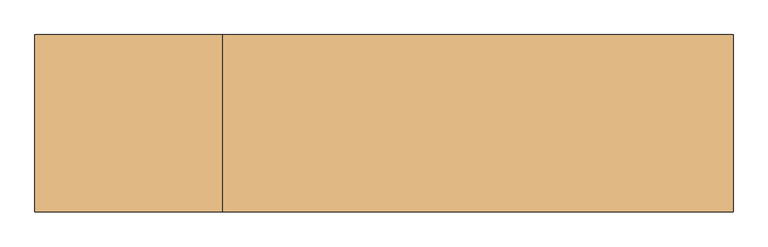
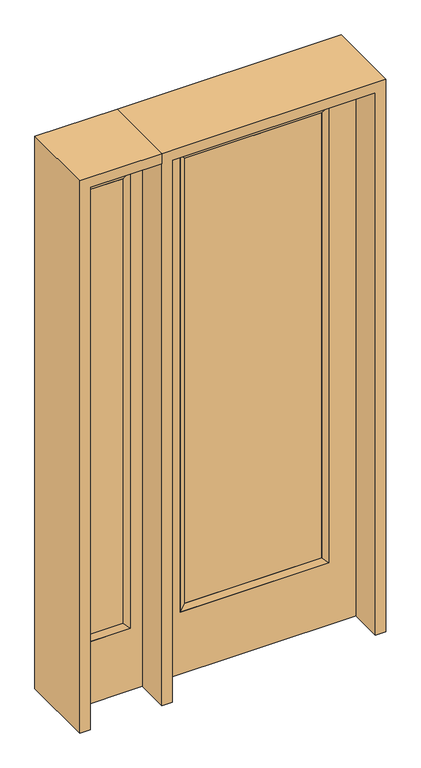
"""IFC4 building model written with IfcOpenShell, lengths in millimetres: door geometry."""

from ifc_helpers import new_model, si_unit, frame, origin, place, context, project, spatial, polyline, outline, extrude, faceted_brep, source, transform, mapped, element, save


def door_ac511bf7(model_context):
    return source(origin(), model_context, "Body", "SolidModel", [
        extrude(outline(polyline([(290.9824, -12.7039749), (-290.9824, -12.7039749), (-290.9824, 14.2875), (290.9824, 14.2875), (290.9824, -12.7039749)])), frame((0.0, 0.0, 304.8), z_axis=(0.0, 0.0, 1.0), x_axis=(1.0, 0.0, 0.0)), (0.0, 0.0, 1.0), 2000.25),
        faceted_brep([(290.9824, 14.2875, 2305.05), (316.3824, 22.225, 2330.45), (316.3824, 22.225, 279.4), (290.9824, 14.2875, 304.8), (316.3824, -22.225, 2330.45), (316.3824, -22.225, 279.4), (-316.3824, 22.225, 279.4), (-290.9824, 14.2875, 304.8), (290.9824, -12.7039749, 2305.05), (290.9824, -12.7039749, 304.8), (-290.9824, -12.7039749, 304.8), (-316.3824, -22.225, 279.4), (-316.3824, 22.225, 2330.45), (-290.9824, 14.2875, 2305.05), (-290.9824, -12.7039749, 2305.05), (-316.3824, -22.225, 2330.45)], [[[0, 1, 2, 3]], [[1, 4, 5, 2]], [[3, 2, 6, 7]], [[8, 0, 3, 9]], [[9, 3, 7, 10]], [[4, 8, 9, 5]], [[5, 9, 10, 11]], [[2, 5, 11, 6]], [[7, 6, 12, 13]], [[10, 7, 13, 14]], [[11, 10, 14, 15]], [[6, 11, 15, 12]], [[13, 12, 1, 0]], [[14, 13, 0, 8]], [[15, 14, 8, 4]], [[12, 15, 4, 1]]]),
        extrude(outline(polyline([(0.0, -431.8), (0.0, 431.8), (2438.4, 431.8), (2438.4, -431.8), (0.0, -431.8)]), holes=[polyline([(279.4, -316.3824), (2330.45, -316.3824), (2330.45, 316.3824), (279.4, 316.3824), (279.4, -316.3824)])]), frame((0.0, -22.225, 0.0), z_axis=(0.0, 1.0, 0.0), x_axis=(0.0, 0.0, 1.0)), (0.0, 0.0, 1.0), 44.45),
        faceted_brep([(-527.05, 20.6375, 2330.45), (-527.05, -20.6375, 2330.45), (-527.05, -20.6375, 279.4), (-527.05, 20.6375, 279.4), (-552.45, -12.7, 2305.05), (-552.45, -12.7, 304.8), (-730.25, -20.6375, 279.4), (-730.25, 20.6375, 279.4), (-552.45, 12.7, 2305.05), (-552.45, 12.7, 304.8), (-704.85, 12.7, 304.8), (-704.85, -12.7, 304.8), (-730.25, -20.6375, 2330.45), (-730.25, 20.6375, 2330.45), (-704.85, 12.7, 2305.05), (-704.85, -12.7, 2305.05)], [[[0, 1, 2, 3]], [[1, 4, 5, 2]], [[3, 2, 6, 7]], [[8, 0, 3, 9]], [[9, 3, 7, 10]], [[4, 8, 9, 5]], [[5, 9, 10, 11]], [[2, 5, 11, 6]], [[7, 6, 12, 13]], [[10, 7, 13, 14]], [[11, 10, 14, 15]], [[6, 11, 15, 12]], [[13, 12, 1, 0]], [[14, 13, 0, 8]], [[15, 14, 8, 4]], [[12, 15, 4, 1]]]),
        extrude(outline(polyline([(0.0, -781.05), (0.0, -476.25), (2438.4, -476.25), (2438.4, -781.05), (0.0, -781.05)]), holes=[polyline([(2330.45, -527.05), (279.4, -527.05), (279.4, -730.25), (2330.45, -730.25), (2330.45, -527.05)])]), frame((0.0, -20.6375, 0.0), z_axis=(0.0, 1.0, 0.0), x_axis=(0.0, 0.0, 1.0)), (0.0, 0.0, 1.0), 41.275),
        extrude(outline(polyline([(-552.45, -12.7), (-704.85, -12.7), (-704.85, 12.7), (-552.45, 12.7), (-552.45, -12.7)])), frame((0.0, 0.0, 301.625), z_axis=(0.0, 0.0, 1.0), x_axis=(1.0, 0.0, 0.0)), (0.0, 0.0, 1.0), 2003.425),
        extrude(outline(polyline([(2438.4, -476.25), (2482.85, -476.25), (2482.85, -825.5), (0.0, -825.5), (0.0, -781.05), (2438.4, -781.05), (2438.4, -476.25)])), frame((0.0, -165.1, 0.0), z_axis=(0.0, 1.0, 0.0), x_axis=(0.0, 0.0, 1.0)), (0.0, 0.0, 1.0), 330.2),
        extrude(outline(polyline([(2482.85, -476.25), (0.0, -476.25), (0.0, -431.8), (2438.4, -431.8), (2438.4, 431.8), (0.0, 431.8), (0.0, 476.25), (2482.85, 476.25), (2482.85, -476.25)])), frame((0.0, -165.1, 0.0), z_axis=(0.0, 1.0, 0.0), x_axis=(0.0, 0.0, 1.0)), (0.0, 0.0, 1.0), 330.2),
    ])


if __name__ == "__main__":
    model = new_model("IFC4")
    model_context = context("Model", 3, world=origin())
    ifc_project = project(units=[si_unit("LENGTHUNIT", "METRE", prefix="MILLI")], contexts=[model_context])
    site = spatial("IfcSite", under=ifc_project)
    building = spatial("IfcBuilding", under=site)
    placement = place(None, origin())
    door_shape = door_ac511bf7(model_context)
    element("IfcDoor", 1, at=placement, inside=building, context=model_context, shape_type="MappedRepresentation", body=[
        mapped(door_shape, transform((0.0, 0.0, 0.0), x_axis=(1.0, 0.0, 0.0), y_axis=(0.0, 1.0, 0.0), z_axis=(0.0, 0.0, 1.0))),
    ])
    save(model, "model.ifc")
